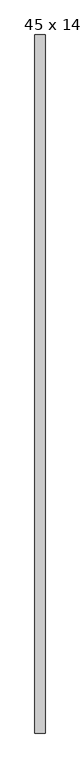
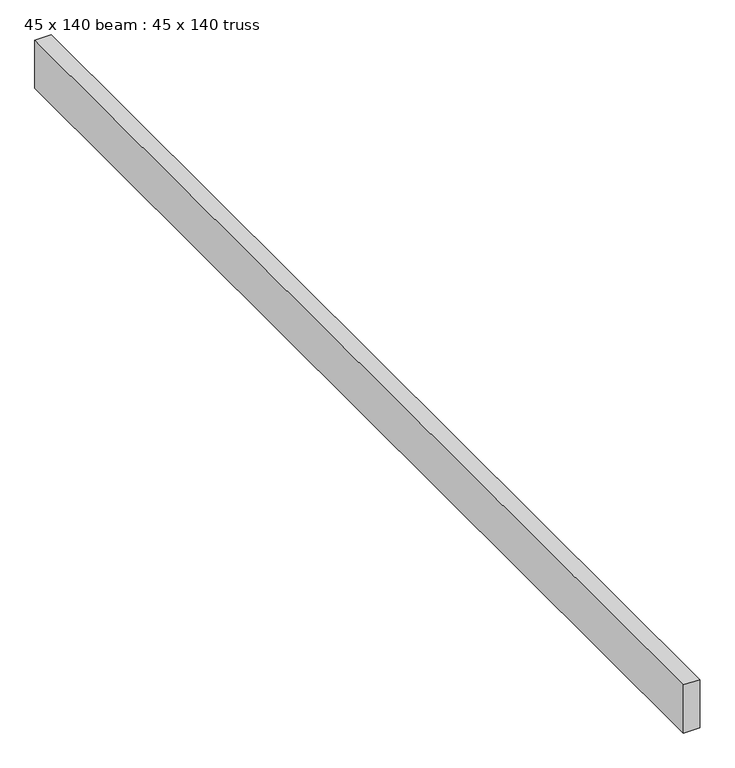
"""IFC4 building model written with IfcOpenShell, lengths in millimetres: proxy geometry, 45 x 140 beam : 45 x 140 truss."""

from ifc_helpers import new_model, si_unit, frame, origin, place, context, project, spatial, polyline, outline, extrude, source, transform, mapped, element, save


def proxy_45_x_140_beam_45_x_140_truss_ec26f041(model_context):
    return source(origin(), model_context, "Body", "SweptSolid", [
        extrude(outline(polyline([(-11600.8421646, -1339.0060744), (-11645.8421646, -1339.0060744), (-11645.8421646, 1750.9939256), (-11600.8421646, 1750.9939256), (-11600.8421646, -1339.0060744)])), frame((0.0, 0.0, 3644.2452806), z_axis=(0.0, 0.0, 1.0), x_axis=(1.0, 0.0, 0.0)), (0.0, 0.0, 1.0), 140.0),
    ])


if __name__ == "__main__":
    model = new_model("IFC4")
    model_context = context("Model", 3, world=origin())
    ifc_project = project(units=[si_unit("LENGTHUNIT", "METRE", prefix="MILLI")], contexts=[model_context])
    site = spatial("IfcSite", under=ifc_project)
    building = spatial("IfcBuilding", under=site)
    placement = place(None, origin())
    proxy_45_x_140_beam_45_x_140_truss_shape = proxy_45_x_140_beam_45_x_140_truss_ec26f041(model_context)
    element("IfcBuildingElementProxy", 1, Name="45 x 140 beam : 45 x 140 truss", ObjectType="45 x 140 beam : 45 x 140 truss", at=placement, inside=building, context=model_context, shape_type="MappedRepresentation", body=[
        mapped(proxy_45_x_140_beam_45_x_140_truss_shape, transform((0.0, 0.0, 0.0), x_axis=(1.0, 0.0, 0.0), y_axis=(0.0, 1.0, 0.0), z_axis=(0.0, 0.0, 1.0))),
    ])
    save(model, "model.ifc")
